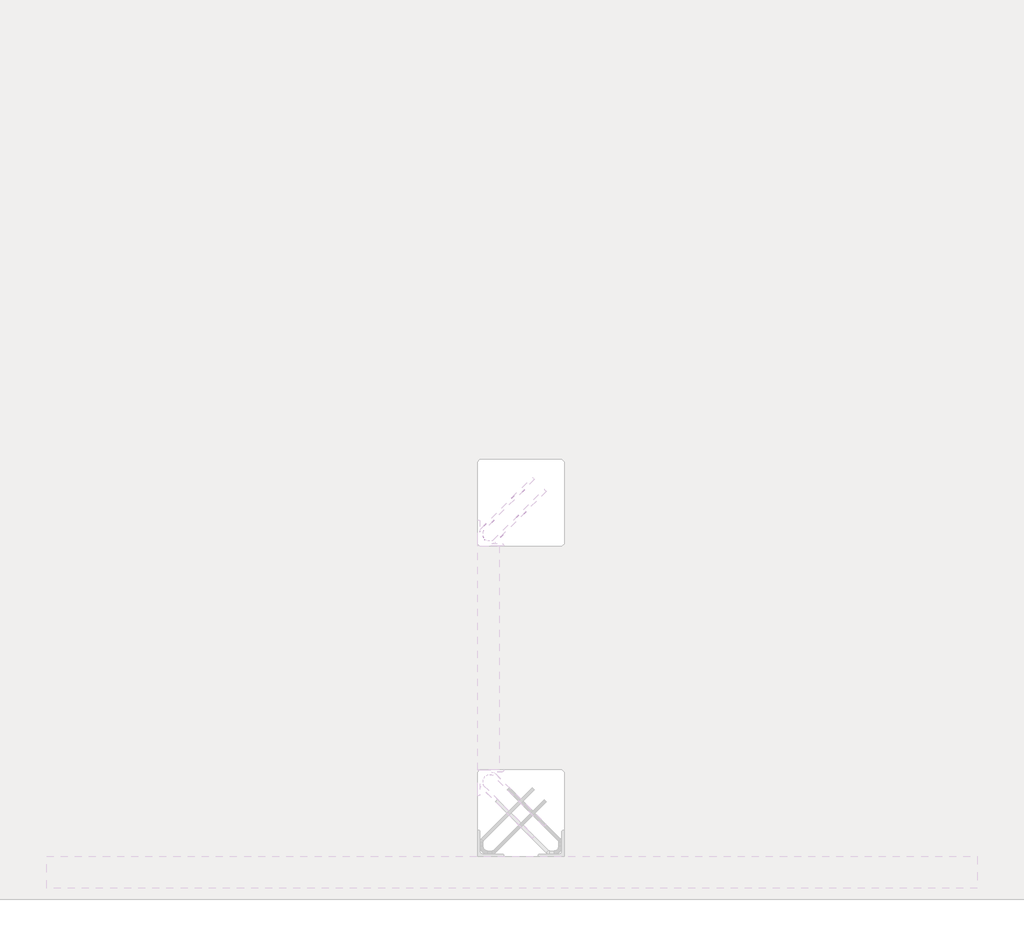
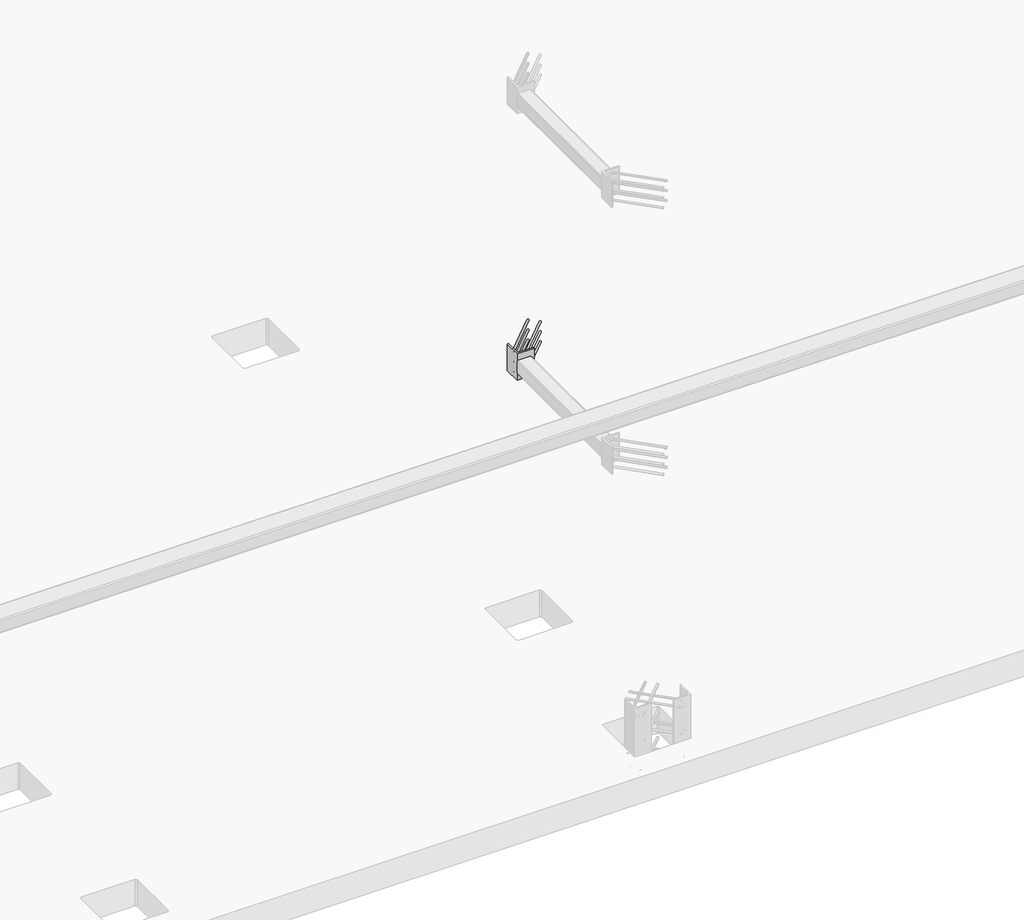
# One storey, part 29 of 65: 1 fastener.
"""IFC4 building model written with IfcOpenShell, lengths in millimetres."""

from ifc_helpers import new_model, si_unit, point, frame, frame_2d, origin, place, context, project, spatial, polyline, circle_curve, ellipse_curve, trimmed, segment, composite_curve, outline, extrude, element, save
from ifc_brep_helpers import plane_surface, cylinder_surface, revolved_surface, advanced_brep

model = new_model("IFC4")

# Units and contexts
model_context = context("Model", 3, world=origin())
ifc_project = project(units=[si_unit("LENGTHUNIT", "METRE", prefix="MILLI")], contexts=[model_context])

# Site, building, storey
site = spatial("IfcSite", under=ifc_project)
building = spatial("IfcBuilding", under=site)
storey = spatial("IfcBuildingStorey", under=building, Elevation=0.0)

# Fastener
placement = place(None, origin())
element("IfcFastener", 1, at=placement, inside=storey, context=model_context, shape_type="SolidModel", body=[
    extrude(outline(composite_curve([segment(polyline([(56650.0, 11240.0), (56650.0, 11360.0), (56653.5, 11360.0)]), True, "CONTINUOUS"), segment(trimmed(circle_curve(frame_2d((56653.5, 11353.5)), 6.5), [point((56653.5, 11360.0))], [point((56660.0, 11353.5))], False, "CARTESIAN"), True, "CONTINUOUS"), segment(polyline([(56660.0, 11353.5), (56660.0, 11263.0)]), True, "CONTINUOUS"), segment(trimmed(circle_curve(frame_2d((56673.0, 11263.0)), 13.0), [point((56660.0, 11263.0))], [point((56673.0, 11250.0))], True, "CARTESIAN"), True, "CONTINUOUS"), segment(polyline([(56673.0, 11250.0), (56763.5, 11250.0)]), True, "CONTINUOUS"), segment(trimmed(circle_curve(frame_2d((56763.5, 11243.5)), 6.5), [point((56763.5, 11250.0))], [point((56770.0, 11243.5))], False, "CARTESIAN"), True, "CONTINUOUS"), segment(polyline([(56770.0, 11243.5), (56770.0, 11240.0), (56650.0, 11240.0)]), True, "CONTINUOUS")], self_intersect=False)), frame((0.0, 0.0, 1950.0), z_axis=(0.0, 0.0, 1.0), x_axis=(1.0, 0.0, 0.0)), (0.0, 0.0, 1.0), 200.0),
    advanced_brep(
    [(56902.5376259, 11557.4371209, 1975.0), (56912.4371209, 11547.5376259, 1975.0), (56967.4371209, 11492.5376259, 1975.0), (56957.5376259, 11502.4371209, 1975.0), (56697.0, 11264.0, 1975.0), (56697.0, 11250.0, 1975.0), (56715.7867966, 11250.0, 1975.0), (56715.7867966, 11264.0, 1975.0), (56674.0, 11287.0, 1975.0), (56660.0, 11287.0, 1975.0), (56674.0, 11305.7867966, 1975.0), (56660.0, 11305.7867966, 1975.0), (56666.4436508, 11321.3431458, 1975.0), (56676.3431458, 11311.4436508, 1975.0), (56721.4436508, 11266.3431458, 1975.0), (56731.3431458, 11256.4436508, 1975.0)],
    [
        (0, 1, circle_curve(frame((56907.4873734, 11552.4873734, 1975.0), z_axis=(0.7071067811865505, 0.7071067811865446, 0.0), x_axis=(0.7071067811865447, -0.7071067811865506, 0.0)), 7.0)),
        (1, 0, circle_curve(frame((56907.4873734, 11552.4873734, 1975.0), z_axis=(0.7071067811865505, 0.7071067811865446, 0.0), x_axis=(0.7071067811865447, -0.7071067811865506, 0.0)), 7.0)),
        (2, 3, circle_curve(frame((56962.4873734, 11497.4873734, 1975.0), z_axis=(0.7071067811865503, 0.7071067811865447, 0.0), x_axis=(-0.7071067811865447, 0.7071067811865503, 0.0)), 7.0)),
        (3, 2, circle_curve(frame((56962.4873734, 11497.4873734, 1975.0), z_axis=(0.7071067811865503, 0.7071067811865447, 0.0), x_axis=(-0.7071067811865447, 0.7071067811865503, 0.0)), 7.0)),
        (4, 5, circle_curve(frame((56697.0, 11257.0, 1975.0), z_axis=(1.0, 0.0, 0.0), x_axis=(0.0, 1.0, 0.0)), 7.0)),
        (5, 6),
        (6, 7, circle_curve(frame((56715.7867966, 11257.0, 1975.0), z_axis=(-1.0, 0.0, 0.0), x_axis=(0.0, 1.0, 0.0)), 7.0)),
        (7, 4),
        (5, 4, circle_curve(frame((56697.0, 11257.0, 1975.0), z_axis=(1.0, 0.0, 0.0), x_axis=(0.0, 1.0, 0.0)), 7.0)),
        (7, 6, circle_curve(frame((56715.7867966, 11257.0, 1975.0), z_axis=(-1.0, 0.0, 0.0), x_axis=(0.0, 1.0, 0.0)), 7.0)),
        (4, 8, circle_curve(frame((56697.0, 11287.0, 1975.0), z_axis=(0.0, 0.0, -1.0), x_axis=(-1.0, 0.0, 0.0)), 23.0)),
        (8, 9, circle_curve(frame((56667.0, 11287.0, 1975.0), z_axis=(0.0, -1.0, 0.0), x_axis=(1.0, 0.0, 0.0)), 7.0)),
        (9, 5, circle_curve(frame((56697.0, 11287.0, 1975.0), z_axis=(0.0, 0.0, 1.0), x_axis=(-1.0, 0.0, 0.0)), 37.0)),
        (9, 8, circle_curve(frame((56667.0, 11287.0, 1975.0), z_axis=(0.0, -1.0, 0.0), x_axis=(1.0, 0.0, 0.0)), 7.0)),
        (10, 11, circle_curve(frame((56667.0, 11305.7867966, 1975.0), z_axis=(0.0, -1.0, 0.0), x_axis=(1.0, 0.0, 0.0)), 7.0)),
        (11, 9),
        (8, 10),
        (11, 10, circle_curve(frame((56667.0, 11305.7867966, 1975.0), z_axis=(0.0, -1.0, 0.0), x_axis=(1.0, 0.0, 0.0)), 7.0)),
        (0, 12),
        (12, 13, circle_curve(frame((56671.3933983, 11316.3933983, 1975.0), z_axis=(0.7071067811865505, 0.7071067811865446, 0.0), x_axis=(0.7071067811865447, -0.7071067811865506, 0.0)), 7.0)),
        (13, 1),
        (13, 12, circle_curve(frame((56671.3933983, 11316.3933983, 1975.0), z_axis=(0.7071067811865505, 0.7071067811865446, 0.0), x_axis=(0.7071067811865447, -0.7071067811865506, 0.0)), 7.0)),
        (10, 13, circle_curve(frame((56682.0, 11305.7867966, 1975.0), z_axis=(0.0, 0.0, -1.0), x_axis=(-0.7071067811865445, 0.7071067811865506, 0.0)), 8.0)),
        (12, 11, circle_curve(frame((56682.0, 11305.7867966, 1975.0), z_axis=(0.0, 0.0, 1.0), x_axis=(-0.7071067811865445, 0.7071067811865506, 0.0)), 22.0)),
        (14, 7, circle_curve(frame((56715.7867966, 11272.0, 1975.0), z_axis=(0.0, 0.0, -1.0), x_axis=(0.0, -1.0, 0.0)), 8.0)),
        (6, 15, circle_curve(frame((56715.7867966, 11272.0, 1975.0), z_axis=(0.0, 0.0, 1.0), x_axis=(0.0, -1.0, 0.0)), 22.0)),
        (15, 14, circle_curve(frame((56726.3933983, 11261.3933983, 1975.0), z_axis=(-0.7071067811865501, -0.7071067811865449, 0.0), x_axis=(-0.7071067811865449, 0.7071067811865501, 0.0)), 7.0)),
        (14, 15, circle_curve(frame((56726.3933983, 11261.3933983, 1975.0), z_axis=(-0.7071067811865496, -0.7071067811865455, 0.0), x_axis=(-0.7071067811865455, 0.7071067811865496, 0.0)), 7.0)),
        (15, 2),
        (3, 14),
    ],
    [
        plane_surface(frame((56907.4873734, 11552.4873734, 1975.0), z_axis=(0.7071067811865505, 0.7071067811865446, 0.0), x_axis=(0.0, 0.0, 1.0))),
        plane_surface(frame((56962.4873734, 11497.4873734, 1975.0), z_axis=(0.7071067811865503, 0.7071067811865447, 0.0), x_axis=(0.0, 0.0, 1.0))),
        cylinder_surface(frame((56697.0, 11257.0, 1975.0), z_axis=(-1.0, 0.0, 0.0), x_axis=(0.0, 1.0, 0.0)), 7.0),
        revolved_surface(trimmed(ellipse_curve(frame((56667.0, 11287.0, 1975.0), z_axis=(0.0, 1.0, 0.0), x_axis=(1.0, 0.0, 0.0)), 7.0, 7.0), [point((56660.0, 11287.0, 1975.0))], [point((56674.0, 11287.0, 1975.0))], True, "CARTESIAN"), (56697.0, 11287.0, 1975.0), (0.0, 0.0, 1.0)),
        revolved_surface(trimmed(ellipse_curve(frame((56667.0, 11287.0, 1975.0), z_axis=(0.0, 1.0, 0.0), x_axis=(1.0, 0.0, 0.0)), 7.0, 7.0), [point((56674.0, 11287.0, 1975.0))], [point((56660.0, 11287.0, 1975.0))], True, "CARTESIAN"), (56697.0, 11287.0, 1975.0), (0.0, 0.0, 1.0)),
        cylinder_surface(frame((56667.0, 11305.7867966, 1975.0), z_axis=(0.0, 1.0, 0.0), x_axis=(1.0, 0.0, 0.0)), 7.0),
        cylinder_surface(frame((56907.4873734, 11552.4873734, 1975.0), z_axis=(0.7071067811865506, 0.7071067811865447, 0.0), x_axis=(0.7071067811865447, -0.7071067811865506, 0.0)), 7.0),
        revolved_surface(trimmed(ellipse_curve(frame((56671.3933983, 11316.3933983, 1975.0), z_axis=(0.7071067811865506, 0.7071067811865445, 0.0), x_axis=(0.7071067811865445, -0.7071067811865506, 0.0)), 7.0, 7.0), [point((56666.4436508, 11321.3431458, 1975.0))], [point((56676.3431458, 11311.4436508, 1975.0))], True, "CARTESIAN"), (56682.0, 11305.7867966, 1975.0), (0.0, 0.0, 1.0)),
        revolved_surface(trimmed(ellipse_curve(frame((56671.3933983, 11316.3933983, 1975.0), z_axis=(0.7071067811865506, 0.7071067811865445, 0.0), x_axis=(0.7071067811865445, -0.7071067811865506, 0.0)), 7.0, 7.0), [point((56676.3431458, 11311.4436508, 1975.0))], [point((56666.4436508, 11321.3431458, 1975.0))], True, "CARTESIAN"), (56682.0, 11305.7867966, 1975.0), (0.0, 0.0, 1.0)),
        revolved_surface(trimmed(ellipse_curve(frame((56715.7867966, 11257.0, 1975.0), z_axis=(-1.0, 0.0, 0.0), x_axis=(0.0, 1.0, 0.0)), 7.0, 7.0), [point((56715.7867966, 11250.0, 1975.0))], [point((56715.7867966, 11264.0, 1975.0))], True, "CARTESIAN"), (56715.7867966, 11272.0, 1975.0), (0.0, 0.0, 1.0)),
        revolved_surface(trimmed(ellipse_curve(frame((56715.7867966, 11257.0, 1975.0), z_axis=(-1.0, 0.0, 0.0), x_axis=(0.0, 1.0, 0.0)), 7.0, 7.0), [point((56715.7867966, 11264.0, 1975.0))], [point((56715.7867966, 11250.0, 1975.0))], True, "CARTESIAN"), (56715.7867966, 11272.0, 1975.0), (0.0, 0.0, 1.0)),
        cylinder_surface(frame((56726.3933983, 11261.3933983, 1975.0), z_axis=(-0.7071067811865503, -0.7071067811865447, 0.0), x_axis=(-0.7071067811865447, 0.7071067811865503, 0.0)), 7.0),
    ],
    [
        (0, [[1, 2]]),
        (1, [[3, 4]]),
        (2, [[5, 6, 7, 8]]),
        (2, [[9, -8, 10, -6]]),
        (3, [[11, 12, 13, -5]]),
        (4, [[-13, 14, -11, -9]]),
        (5, [[15, 16, -12, 17]]),
        (5, [[18, -17, -14, -16]]),
        (6, [[-1, 19, 20, 21]]),
        (6, [[-2, -21, 22, -19]]),
        (7, [[23, -20, 24, -15]]),
        (8, [[-24, -22, -23, -18]]),
        (9, [[25, -7, 26, 27]]),
        (10, [[-26, -10, -25, 28]]),
        (11, [[-27, 29, -4, 30]]),
        (11, [[-28, -30, -3, -29]]),
    ],
),
    advanced_brep(
    [(56912.4371209, 11547.5376259, 2125.0), (56902.5376259, 11557.4371209, 2125.0), (56957.5376259, 11502.4371209, 2125.0), (56967.4371209, 11492.5376259, 2125.0), (56697.0, 11250.0, 2125.0), (56697.0, 11264.0, 2125.0), (56715.7867966, 11264.0, 2125.0), (56715.7867966, 11250.0, 2125.0), (56660.0, 11287.0, 2125.0), (56674.0, 11287.0, 2125.0), (56660.0, 11305.7867966, 2125.0), (56674.0, 11305.7867966, 2125.0), (56676.3431458, 11311.4436508, 2125.0), (56666.4436508, 11321.3431458, 2125.0), (56731.3431458, 11256.4436508, 2125.0), (56721.4436508, 11266.3431458, 2125.0)],
    [
        (0, 1, circle_curve(frame((56907.4873734, 11552.4873734, 2125.0), z_axis=(0.7071067811865505, 0.7071067811865446, 0.0), x_axis=(-0.7071067811865447, 0.7071067811865506, 0.0)), 7.0)),
        (1, 0, circle_curve(frame((56907.4873734, 11552.4873734, 2125.0), z_axis=(0.7071067811865505, 0.7071067811865446, 0.0), x_axis=(-0.7071067811865447, 0.7071067811865506, 0.0)), 7.0)),
        (2, 3, circle_curve(frame((56962.4873734, 11497.4873734, 2125.0), z_axis=(0.7071067811865505, 0.7071067811865447, 0.0), x_axis=(0.7071067811865447, -0.7071067811865505, 0.0)), 7.0)),
        (3, 2, circle_curve(frame((56962.4873734, 11497.4873734, 2125.0), z_axis=(0.7071067811865505, 0.7071067811865447, 0.0), x_axis=(0.7071067811865447, -0.7071067811865505, 0.0)), 7.0)),
        (4, 5, circle_curve(frame((56697.0, 11257.0, 2125.0), z_axis=(1.0, 0.0, 0.0), x_axis=(0.0, -1.0, 0.0)), 7.0)),
        (5, 6),
        (6, 7, circle_curve(frame((56715.7867966, 11257.0, 2125.0), z_axis=(-1.0, 0.0, 0.0), x_axis=(0.0, -1.0, 0.0)), 7.0)),
        (7, 4),
        (5, 4, circle_curve(frame((56697.0, 11257.0, 2125.0), z_axis=(1.0, 0.0, 0.0), x_axis=(0.0, -1.0, 0.0)), 7.0)),
        (7, 6, circle_curve(frame((56715.7867966, 11257.0, 2125.0), z_axis=(-1.0, 0.0, 0.0), x_axis=(0.0, -1.0, 0.0)), 7.0)),
        (4, 8, circle_curve(frame((56697.0, 11287.0, 2125.0), z_axis=(0.0, 0.0, -1.0), x_axis=(-1.0, 0.0, 0.0)), 37.0)),
        (8, 9, circle_curve(frame((56667.0, 11287.0, 2125.0), z_axis=(0.0, -1.0, 0.0), x_axis=(-1.0, 0.0, 0.0)), 7.0)),
        (9, 5, circle_curve(frame((56697.0, 11287.0, 2125.0), z_axis=(0.0, 0.0, 1.0), x_axis=(-1.0, 0.0, 0.0)), 23.0)),
        (9, 8, circle_curve(frame((56667.0, 11287.0, 2125.0), z_axis=(0.0, -1.0, 0.0), x_axis=(-1.0, 0.0, 0.0)), 7.0)),
        (10, 11, circle_curve(frame((56667.0, 11305.7867966, 2125.0), z_axis=(0.0, -1.0, 0.0), x_axis=(-1.0, 0.0, 0.0)), 7.0)),
        (11, 9),
        (8, 10),
        (11, 10, circle_curve(frame((56667.0, 11305.7867966, 2125.0), z_axis=(0.0, -1.0, 0.0), x_axis=(-1.0, 0.0, 0.0)), 7.0)),
        (0, 12),
        (12, 13, circle_curve(frame((56671.3933983, 11316.3933983, 2125.0), z_axis=(0.7071067811865505, 0.7071067811865446, 0.0), x_axis=(-0.7071067811865447, 0.7071067811865506, 0.0)), 7.0)),
        (13, 1),
        (13, 12, circle_curve(frame((56671.3933983, 11316.3933983, 2125.0), z_axis=(0.7071067811865505, 0.7071067811865446, 0.0), x_axis=(-0.7071067811865447, 0.7071067811865506, 0.0)), 7.0)),
        (10, 13, circle_curve(frame((56682.0, 11305.7867966, 2125.0), z_axis=(0.0, 0.0, -1.0), x_axis=(-0.7071067811865445, 0.7071067811865506, 0.0)), 22.0)),
        (12, 11, circle_curve(frame((56682.0, 11305.7867966, 2125.0), z_axis=(0.0, 0.0, 1.0), x_axis=(-0.7071067811865445, 0.7071067811865506, 0.0)), 8.0)),
        (14, 7, circle_curve(frame((56715.7867966, 11272.0, 2125.0), z_axis=(0.0, 0.0, -1.0), x_axis=(0.0, -1.0, 0.0)), 22.0)),
        (6, 15, circle_curve(frame((56715.7867966, 11272.0, 2125.0), z_axis=(0.0, 0.0, 1.0), x_axis=(0.0, -1.0, 0.0)), 8.0)),
        (15, 14, circle_curve(frame((56726.3933983, 11261.3933983, 2125.0), z_axis=(-0.7071067811865488, -0.7071067811865462, 0.0), x_axis=(0.7071067811865462, -0.7071067811865488, 0.0)), 7.0)),
        (14, 15, circle_curve(frame((56726.3933983, 11261.3933983, 2125.0), z_axis=(-0.7071067811865496, -0.7071067811865455, 0.0), x_axis=(0.7071067811865455, -0.7071067811865496, 0.0)), 7.0)),
        (15, 2),
        (3, 14),
    ],
    [
        plane_surface(frame((56907.4873734, 11552.4873734, 2125.0), z_axis=(0.7071067811865505, 0.7071067811865446, 0.0), x_axis=(0.0, 0.0, -1.0))),
        plane_surface(frame((56962.4873734, 11497.4873734, 2125.0), z_axis=(0.7071067811865505, 0.7071067811865447, 0.0), x_axis=(0.0, 0.0, -1.0))),
        cylinder_surface(frame((56697.0, 11257.0, 2125.0), z_axis=(-1.0, 0.0, 0.0), x_axis=(0.0, -1.0, 0.0)), 7.0),
        revolved_surface(trimmed(ellipse_curve(frame((56667.0, 11287.0, 2125.0), z_axis=(0.0, 1.0, 0.0), x_axis=(-1.0, 0.0, 0.0)), 7.0, 7.0), [point((56674.0, 11287.0, 2125.0))], [point((56660.0, 11287.0, 2125.0))], True, "CARTESIAN"), (56697.0, 11287.0, 2125.0), (0.0, 0.0, 1.0)),
        revolved_surface(trimmed(ellipse_curve(frame((56667.0, 11287.0, 2125.0), z_axis=(0.0, 1.0, 0.0), x_axis=(-1.0, 0.0, 0.0)), 7.0, 7.0), [point((56660.0, 11287.0, 2125.0))], [point((56674.0, 11287.0, 2125.0))], True, "CARTESIAN"), (56697.0, 11287.0, 2125.0), (0.0, 0.0, 1.0)),
        cylinder_surface(frame((56667.0, 11305.7867966, 2125.0), z_axis=(0.0, 1.0, 0.0), x_axis=(-1.0, 0.0, 0.0)), 7.0),
        cylinder_surface(frame((56907.4873734, 11552.4873734, 2125.0), z_axis=(0.7071067811865506, 0.7071067811865447, 0.0), x_axis=(-0.7071067811865447, 0.7071067811865506, 0.0)), 7.0),
        revolved_surface(trimmed(ellipse_curve(frame((56671.3933983, 11316.3933983, 2125.0), z_axis=(0.7071067811865506, 0.7071067811865445, 0.0), x_axis=(-0.7071067811865445, 0.7071067811865506, 0.0)), 7.0, 7.0), [point((56676.3431458, 11311.4436508, 2125.0))], [point((56666.4436508, 11321.3431458, 2125.0))], True, "CARTESIAN"), (56682.0, 11305.7867966, 2125.0), (0.0, 0.0, 1.0)),
        revolved_surface(trimmed(ellipse_curve(frame((56671.3933983, 11316.3933983, 2125.0), z_axis=(0.7071067811865506, 0.7071067811865445, 0.0), x_axis=(-0.7071067811865445, 0.7071067811865506, 0.0)), 7.0, 7.0), [point((56666.4436508, 11321.3431458, 2125.0))], [point((56676.3431458, 11311.4436508, 2125.0))], True, "CARTESIAN"), (56682.0, 11305.7867966, 2125.0), (0.0, 0.0, 1.0)),
        revolved_surface(trimmed(ellipse_curve(frame((56715.7867966, 11257.0, 2125.0), z_axis=(-1.0, 0.0, 0.0), x_axis=(0.0, -1.0, 0.0)), 7.0, 7.0), [point((56715.7867966, 11264.0, 2125.0))], [point((56715.7867966, 11250.0, 2125.0))], True, "CARTESIAN"), (56715.7867966, 11272.0, 2125.0), (0.0, 0.0, 1.0)),
        revolved_surface(trimmed(ellipse_curve(frame((56715.7867966, 11257.0, 2125.0), z_axis=(-1.0, 0.0, 0.0), x_axis=(0.0, -1.0, 0.0)), 7.0, 7.0), [point((56715.7867966, 11250.0, 2125.0))], [point((56715.7867966, 11264.0, 2125.0))], True, "CARTESIAN"), (56715.7867966, 11272.0, 2125.0), (0.0, 0.0, 1.0)),
        cylinder_surface(frame((56726.3933983, 11261.3933983, 2125.0), z_axis=(-0.7071067811865505, -0.7071067811865447, 0.0), x_axis=(0.7071067811865447, -0.7071067811865505, 0.0)), 7.0),
    ],
    [
        (0, [[1, 2]]),
        (1, [[3, 4]]),
        (2, [[5, 6, 7, 8]]),
        (2, [[9, -8, 10, -6]]),
        (3, [[11, 12, 13, -5]]),
        (4, [[-13, 14, -11, -9]]),
        (5, [[15, 16, -12, 17]]),
        (5, [[18, -17, -14, -16]]),
        (6, [[-1, 19, 20, 21]]),
        (6, [[-2, -21, 22, -19]]),
        (7, [[23, -20, 24, -15]]),
        (8, [[-24, -22, -23, -18]]),
        (9, [[25, -7, 26, 27]]),
        (10, [[-26, -10, -25, 28]]),
        (11, [[-27, 29, -4, 30]]),
        (11, [[-28, -30, -3, -29]]),
    ],
),
    advanced_brep(
    [(56912.4371209, 11547.5376259, 2050.0), (56902.5376259, 11557.4371209, 2050.0), (56957.5376259, 11502.4371209, 2050.0), (56967.4371209, 11492.5376259, 2050.0), (56697.0, 11250.0, 2050.0), (56697.0, 11264.0, 2050.0), (56715.7867966, 11264.0, 2050.0), (56715.7867966, 11250.0, 2050.0), (56660.0, 11287.0, 2050.0), (56674.0, 11287.0, 2050.0), (56660.0, 11305.7867966, 2050.0), (56674.0, 11305.7867966, 2050.0), (56676.3431458, 11311.4436508, 2050.0), (56666.4436508, 11321.3431458, 2050.0), (56731.3431458, 11256.4436508, 2050.0), (56721.4436508, 11266.3431458, 2050.0)],
    [
        (0, 1, circle_curve(frame((56907.4873734, 11552.4873734, 2050.0), z_axis=(0.7071067811865505, 0.7071067811865446, 0.0), x_axis=(-0.7071067811865446, 0.7071067811865505, 0.0)), 7.0)),
        (1, 0, circle_curve(frame((56907.4873734, 11552.4873734, 2050.0), z_axis=(0.7071067811865505, 0.7071067811865446, 0.0), x_axis=(-0.7071067811865446, 0.7071067811865505, 0.0)), 7.0)),
        (2, 3, circle_curve(frame((56962.4873734, 11497.4873734, 2050.0), z_axis=(0.7071067811865505, 0.7071067811865447, 0.0), x_axis=(0.7071067811865447, -0.7071067811865505, 0.0)), 7.0)),
        (3, 2, circle_curve(frame((56962.4873734, 11497.4873734, 2050.0), z_axis=(0.7071067811865505, 0.7071067811865447, 0.0), x_axis=(0.7071067811865447, -0.7071067811865505, 0.0)), 7.0)),
        (4, 5, circle_curve(frame((56697.0, 11257.0, 2050.0), z_axis=(1.0, 0.0, 0.0), x_axis=(0.0, -1.0, 0.0)), 7.0)),
        (5, 6),
        (6, 7, circle_curve(frame((56715.7867966, 11257.0, 2050.0), z_axis=(-1.0, 0.0, 0.0), x_axis=(0.0, -1.0, 0.0)), 7.0)),
        (7, 4),
        (5, 4, circle_curve(frame((56697.0, 11257.0, 2050.0), z_axis=(1.0, 0.0, 0.0), x_axis=(0.0, -1.0, 0.0)), 7.0)),
        (7, 6, circle_curve(frame((56715.7867966, 11257.0, 2050.0), z_axis=(-1.0, 0.0, 0.0), x_axis=(0.0, -1.0, 0.0)), 7.0)),
        (4, 8, circle_curve(frame((56697.0, 11287.0, 2050.0), z_axis=(0.0, 0.0, -1.0), x_axis=(-1.0, 0.0, 0.0)), 37.0)),
        (8, 9, circle_curve(frame((56667.0, 11287.0, 2050.0), z_axis=(0.0, -1.0, 0.0), x_axis=(-1.0, 0.0, 0.0)), 7.0)),
        (9, 5, circle_curve(frame((56697.0, 11287.0, 2050.0), z_axis=(0.0, 0.0, 1.0), x_axis=(-1.0, 0.0, 0.0)), 23.0)),
        (9, 8, circle_curve(frame((56667.0, 11287.0, 2050.0), z_axis=(0.0, -1.0, 0.0), x_axis=(-1.0, 0.0, 0.0)), 7.0)),
        (10, 11, circle_curve(frame((56667.0, 11305.7867966, 2050.0), z_axis=(0.0, -1.0, 0.0), x_axis=(-1.0, 0.0, 0.0)), 7.0)),
        (11, 9),
        (8, 10),
        (11, 10, circle_curve(frame((56667.0, 11305.7867966, 2050.0), z_axis=(0.0, -1.0, 0.0), x_axis=(-1.0, 0.0, 0.0)), 7.0)),
        (0, 12),
        (12, 13, circle_curve(frame((56671.3933983, 11316.3933983, 2050.0), z_axis=(0.7071067811865505, 0.7071067811865446, 0.0), x_axis=(-0.7071067811865446, 0.7071067811865505, 0.0)), 7.0)),
        (13, 1),
        (13, 12, circle_curve(frame((56671.3933983, 11316.3933983, 2050.0), z_axis=(0.7071067811865505, 0.7071067811865446, 0.0), x_axis=(-0.7071067811865446, 0.7071067811865505, 0.0)), 7.0)),
        (10, 13, circle_curve(frame((56682.0, 11305.7867966, 2050.0), z_axis=(0.0, 0.0, -1.0), x_axis=(-0.7071067811865445, 0.7071067811865506, 0.0)), 22.0)),
        (12, 11, circle_curve(frame((56682.0, 11305.7867966, 2050.0), z_axis=(0.0, 0.0, 1.0), x_axis=(-0.7071067811865445, 0.7071067811865506, 0.0)), 8.0)),
        (14, 7, circle_curve(frame((56715.7867966, 11272.0, 2050.0), z_axis=(0.0, 0.0, -1.0), x_axis=(0.0, -1.0, 0.0)), 22.0)),
        (6, 15, circle_curve(frame((56715.7867966, 11272.0, 2050.0), z_axis=(0.0, 0.0, 1.0), x_axis=(0.0, -1.0, 0.0)), 8.0)),
        (15, 14, circle_curve(frame((56726.3933983, 11261.3933983, 2050.0), z_axis=(-0.7071067811865502, -0.7071067811865448, 0.0), x_axis=(0.7071067811865448, -0.7071067811865502, 0.0)), 7.0)),
        (14, 15, circle_curve(frame((56726.3933983, 11261.3933983, 2050.0), z_axis=(-0.7071067811865501, -0.7071067811865449, 0.0), x_axis=(0.7071067811865449, -0.7071067811865501, 0.0)), 7.0)),
        (15, 2),
        (3, 14),
    ],
    [
        plane_surface(frame((56907.4873734, 11552.4873734, 2050.0), z_axis=(0.7071067811865505, 0.7071067811865446, 0.0), x_axis=(0.0, 0.0, -1.0))),
        plane_surface(frame((56962.4873734, 11497.4873734, 2050.0), z_axis=(0.7071067811865503, 0.7071067811865448, 0.0), x_axis=(0.0, 0.0, -1.0))),
        cylinder_surface(frame((56697.0, 11257.0, 2050.0), z_axis=(-1.0, 0.0, 0.0), x_axis=(0.0, -1.0, 0.0)), 7.0),
        revolved_surface(trimmed(ellipse_curve(frame((56667.0, 11287.0, 2050.0), z_axis=(0.0, 1.0, 0.0), x_axis=(-1.0, 0.0, 0.0)), 7.0, 7.0), [point((56674.0, 11287.0, 2050.0))], [point((56660.0, 11287.0, 2050.0))], True, "CARTESIAN"), (56697.0, 11287.0, 2050.0), (0.0, 0.0, 1.0)),
        revolved_surface(trimmed(ellipse_curve(frame((56667.0, 11287.0, 2050.0), z_axis=(0.0, 1.0, 0.0), x_axis=(-1.0, 0.0, 0.0)), 7.0, 7.0), [point((56660.0, 11287.0, 2050.0))], [point((56674.0, 11287.0, 2050.0))], True, "CARTESIAN"), (56697.0, 11287.0, 2050.0), (0.0, 0.0, 1.0)),
        cylinder_surface(frame((56667.0, 11305.7867966, 2050.0), z_axis=(0.0, 1.0, 0.0), x_axis=(-1.0, 0.0, 0.0)), 7.0),
        cylinder_surface(frame((56907.4873734, 11552.4873734, 2050.0), z_axis=(0.7071067811865505, 0.7071067811865446, 0.0), x_axis=(-0.7071067811865446, 0.7071067811865505, 0.0)), 7.0),
        revolved_surface(trimmed(ellipse_curve(frame((56671.3933983, 11316.3933983, 2050.0), z_axis=(0.7071067811865507, 0.7071067811865444, 0.0), x_axis=(-0.7071067811865444, 0.7071067811865507, 0.0)), 7.0, 7.0), [point((56676.3431458, 11311.4436508, 2050.0))], [point((56666.4436508, 11321.3431458, 2050.0))], True, "CARTESIAN"), (56682.0, 11305.7867966, 2050.0), (0.0, 0.0, 1.0)),
        revolved_surface(trimmed(ellipse_curve(frame((56671.3933983, 11316.3933983, 2050.0), z_axis=(0.7071067811865507, 0.7071067811865444, 0.0), x_axis=(-0.7071067811865444, 0.7071067811865507, 0.0)), 7.0, 7.0), [point((56666.4436508, 11321.3431458, 2050.0))], [point((56676.3431458, 11311.4436508, 2050.0))], True, "CARTESIAN"), (56682.0, 11305.7867966, 2050.0), (0.0, 0.0, 1.0)),
        revolved_surface(trimmed(ellipse_curve(frame((56715.7867966, 11257.0, 2050.0), z_axis=(-1.0, 0.0, 0.0), x_axis=(0.0, -1.0, 0.0)), 7.0, 7.0), [point((56715.7867966, 11264.0, 2050.0))], [point((56715.7867966, 11250.0, 2050.0))], True, "CARTESIAN"), (56715.7867966, 11272.0, 2050.0), (0.0, 0.0, 1.0)),
        revolved_surface(trimmed(ellipse_curve(frame((56715.7867966, 11257.0, 2050.0), z_axis=(-1.0, 0.0, 0.0), x_axis=(0.0, -1.0, 0.0)), 7.0, 7.0), [point((56715.7867966, 11250.0, 2050.0))], [point((56715.7867966, 11264.0, 2050.0))], True, "CARTESIAN"), (56715.7867966, 11272.0, 2050.0), (0.0, 0.0, 1.0)),
        cylinder_surface(frame((56726.3933983, 11261.3933983, 2050.0), z_axis=(-0.7071067811865505, -0.7071067811865447, 0.0), x_axis=(0.7071067811865447, -0.7071067811865505, 0.0)), 7.0),
    ],
    [
        (0, [[1, 2]]),
        (1, [[3, 4]]),
        (2, [[5, 6, 7, 8]]),
        (2, [[9, -8, 10, -6]]),
        (3, [[11, 12, 13, -5]]),
        (4, [[-13, 14, -11, -9]]),
        (5, [[15, 16, -12, 17]]),
        (5, [[18, -17, -14, -16]]),
        (6, [[-1, 19, 20, 21]]),
        (6, [[-2, -21, 22, -19]]),
        (7, [[23, -20, 24, -15]]),
        (8, [[-24, -22, -23, -18]]),
        (9, [[25, -7, 26, 27]]),
        (10, [[-26, -10, -25, 28]]),
        (11, [[-27, 29, -4, 30]]),
        (11, [[-28, -30, -3, -29]]),
    ],
),
])

save(model, "model.ifc")
